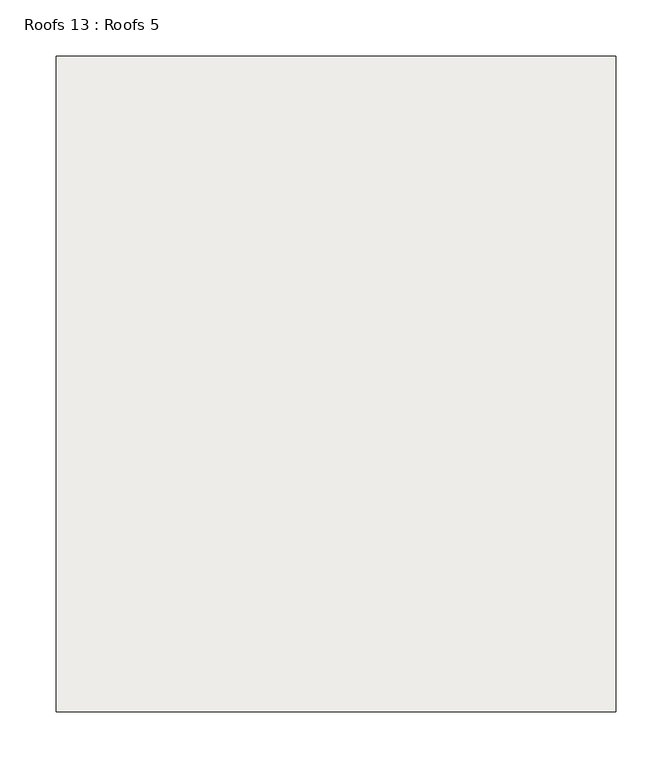
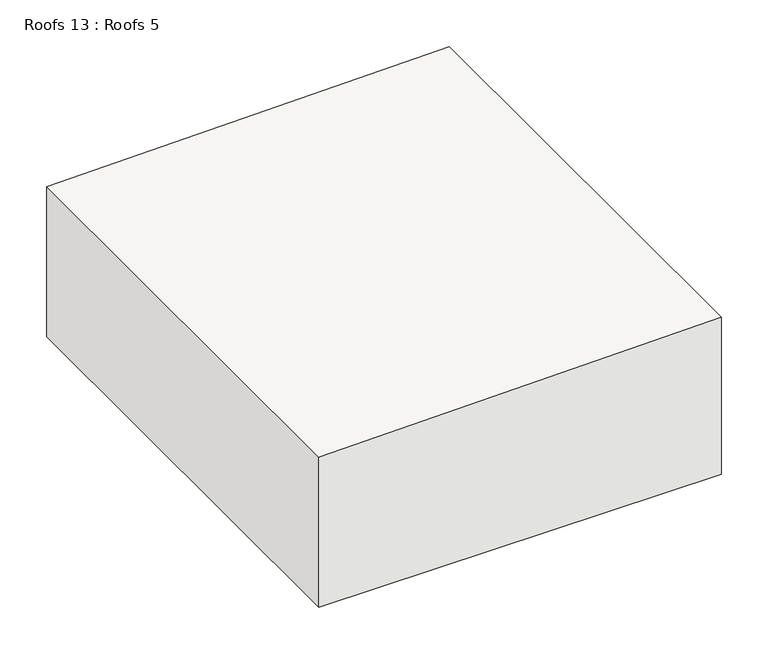
"""IFC4 building model written with IfcOpenShell, lengths in millimetres: roof geometry, Roofs 13 : Roofs 5."""

from ifc_helpers import new_model, si_unit, frame, origin, place, context, project, spatial, polyline, outline, extrude, source, transform, mapped, element, save


def roofs_13_roofs_5_0916224b(model_context):
    return source(origin(), model_context, "Body", "SweptSolid", [
        extrude(outline(polyline([(-2038.5068927, -12602.1969605), (-1833.0030846, -12602.1969605), (-1841.7039981, -13100.6719605), (-2038.5068927, -13100.6719605), (-2038.5068927, -12602.1969605)])), frame((0.0, -5782.2811541, 0.0), z_axis=(0.0, 1.0, 0.0), x_axis=(0.0, 0.0, 1.0)), (0.0, 0.0, 1.0), 584.2),
    ])


if __name__ == "__main__":
    model = new_model("IFC4")
    model_context = context("Model", 3, world=origin())
    ifc_project = project(units=[si_unit("LENGTHUNIT", "METRE", prefix="MILLI")], contexts=[model_context])
    site = spatial("IfcSite", under=ifc_project)
    building = spatial("IfcBuilding", under=site)
    placement = place(None, origin())
    roofs_13_roofs_5_shape = roofs_13_roofs_5_0916224b(model_context)
    element("IfcRoof", 1, ObjectType="Roofs 13 : Roofs 5", at=placement, inside=building, context=model_context, shape_type="MappedRepresentation", body=[
        mapped(roofs_13_roofs_5_shape, transform((0.0, 0.0, 0.0), x_axis=(1.0, 0.0, 0.0), y_axis=(0.0, 1.0, 0.0), z_axis=(0.0, 0.0, 1.0))),
    ])
    save(model, "model.ifc")
